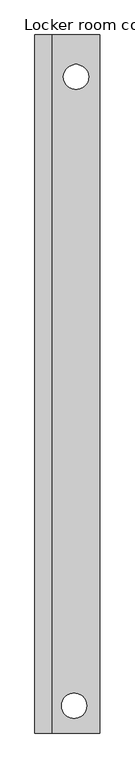
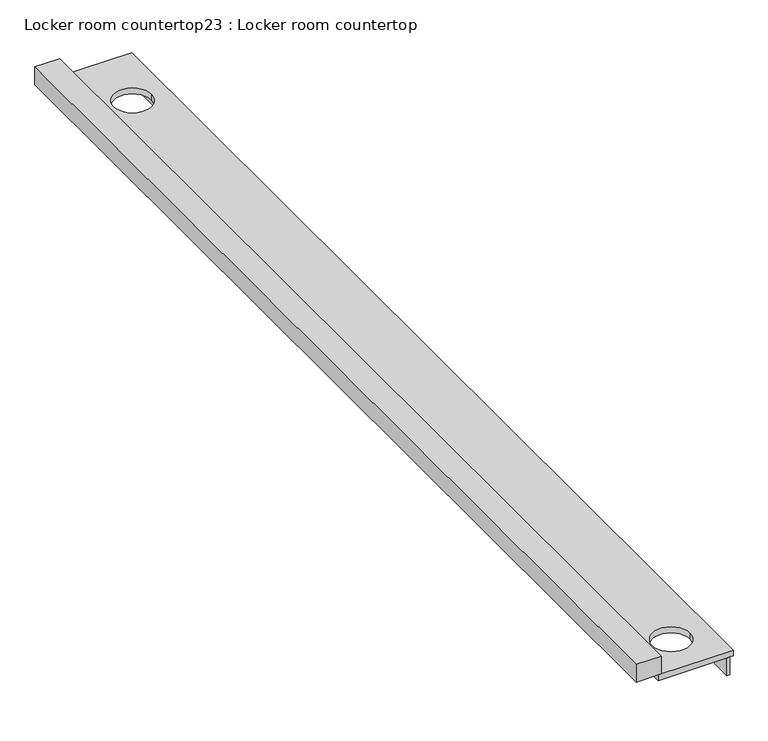
"""IFC4 building model written with IfcOpenShell, lengths in millimetres: furniture geometry, Locker room countertop23 : Locker room countertop."""

from ifc_helpers import new_model, si_unit, point, frame, frame_2d, origin, place, context, project, spatial, polyline, circle_curve, trimmed, segment, composite_curve, outline, extrude, source, transform, mapped, element, save


def locker_room_countertop23_locker_room_countertop_f7ee8a5d(model_context):
    return source(origin(), model_context, "Body", "SweptSolid", [
        extrude(outline(polyline([(452880.2004676, -270764.8080223), (452854.8004676, -270764.8080223), (452854.8004676, -262297.0830223), (452880.2004676, -262297.0830223), (452880.2004676, -270764.8080223)])), frame((0.0, 0.0, 660.4), z_axis=(0.0, 0.0, 1.0), x_axis=(1.0, 0.0, 0.0)), (0.0, 0.0, 1.0), 152.4),
        extrude(outline(polyline([(452321.4004676, -262297.0830223), (452321.4004676, -270764.8080223), (452118.2004676, -270764.8080223), (452118.2004676, -262297.0830223), (452321.4004676, -262297.0830223)])), frame((0.0, 0.0, 863.6), z_axis=(0.0, 0.0, 1.0), x_axis=(1.0, 0.0, 0.0)), (0.0, 0.0, 1.0), 152.4),
        extrude(outline(polyline([(452905.6004676, -262297.0830223), (452905.6004676, -270764.8080223), (452296.0004676, -270764.8080223), (452296.0004676, -262297.0830223), (452905.6004676, -262297.0830223)]), holes=[composite_curve([segment(trimmed(circle_curve(frame_2d((452616.9061793, -262807.2737766)), 152.4), [point((452464.5061793, -262807.2737766))], [point((452769.3061793, -262807.2737766))], True, "CARTESIAN"), True, "CONTINUOUS"), segment(trimmed(circle_curve(frame_2d((452616.9061793, -262807.2737766)), 152.4), [point((452769.3061793, -262807.2737766))], [point((452464.5061793, -262807.2737766))], True, "CARTESIAN"), True, "CONTINUOUS")], self_intersect=False), composite_curve([segment(trimmed(circle_curve(frame_2d((452593.4692313, -270432.2263657)), 152.4), [point((452441.0692313, -270432.2263657))], [point((452745.8692313, -270432.2263657))], True, "CARTESIAN"), True, "CONTINUOUS"), segment(trimmed(circle_curve(frame_2d((452593.4692313, -270432.2263657)), 152.4), [point((452745.8692313, -270432.2263657))], [point((452441.0692313, -270432.2263657))], True, "CARTESIAN"), True, "CONTINUOUS")], self_intersect=False)]), frame((0.0, 0.0, 812.8), z_axis=(0.0, 0.0, 1.0), x_axis=(1.0, 0.0, 0.0)), (0.0, 0.0, 1.0), 50.8),
    ])


if __name__ == "__main__":
    model = new_model("IFC4")
    model_context = context("Model", 3, world=origin())
    ifc_project = project(units=[si_unit("LENGTHUNIT", "METRE", prefix="MILLI")], contexts=[model_context])
    site = spatial("IfcSite", under=ifc_project)
    building = spatial("IfcBuilding", under=site)
    placement = place(None, origin())
    locker_room_countertop23_locker_room_countertop_shape = locker_room_countertop23_locker_room_countertop_f7ee8a5d(model_context)
    element("IfcFurniture", 1, ObjectType="Locker room countertop23 : Locker room countertop", at=placement, inside=building, context=model_context, shape_type="MappedRepresentation", body=[
        mapped(locker_room_countertop23_locker_room_countertop_shape, transform((0.0, 0.0, 0.0), x_axis=(1.0, 0.0, 0.0), y_axis=(0.0, 1.0, 0.0), z_axis=(0.0, 0.0, 1.0))),
    ])
    save(model, "model.ifc")
